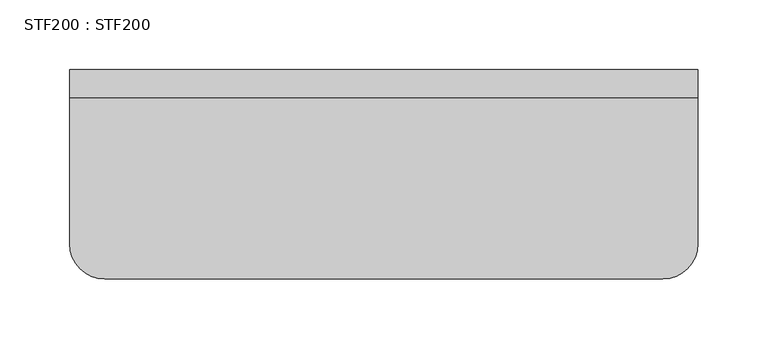
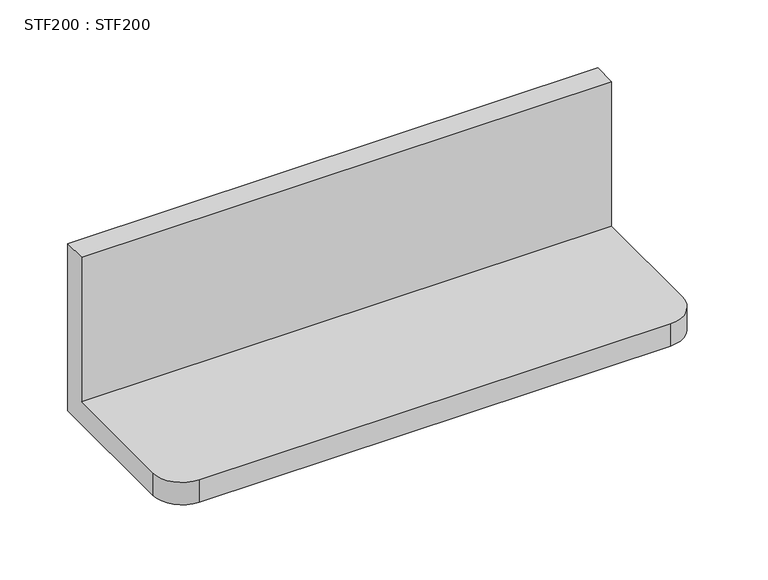
"""IFC4 building model written with IfcOpenShell, lengths in millimetres: proxy geometry, STF200 : STF200."""

from ifc_helpers import new_model, si_unit, frame, origin, place, context, project, spatial, circle_curve, source, transform, mapped, element, save
from ifc_brep_helpers import plane_surface, cylinder_surface, advanced_brep


def stf200_stf200_0c946490(model_context):
    return source(origin(), model_context, "Body", "AdvancedBrep", [
        advanced_brep(
        [(0.0, -125.0000011, 20.0000011), (25.0, -150.0000011, 20.0000011), (425.0, -150.0000011, 20.0000011), (450.0, -125.0000011, 20.0000011), (450.0, -20.0000011, 20.0000011), (0.0, -20.0000011, 20.0000011), (450.0, 0.0, 0.0), (450.0, -125.0000011, 0.0), (425.0, -150.0000011, 0.0), (25.0, -150.0000011, 0.0), (0.0, -125.0000011, 0.0), (0.0, 0.0, 0.0), (0.0, 0.0, 150.0000011), (450.0, 0.0, 150.0000011), (0.0, -20.0000011, 150.0000011), (450.0, -20.0000011, 150.0000011)],
        [
            (0, 1, circle_curve(frame((25.0, -125.0000011, 20.0000011), z_axis=(0.0, 0.0, 1.0), x_axis=(1.0, 0.0, 0.0)), 25.0)),
            (1, 2),
            (2, 3, circle_curve(frame((425.0, -125.0000011, 20.0000011), z_axis=(0.0, 0.0, 1.0), x_axis=(1.0, 0.0, 0.0)), 25.0)),
            (3, 4),
            (4, 5),
            (5, 0),
            (6, 7),
            (7, 8, circle_curve(frame((425.0, -125.0000011, 0.0), z_axis=(0.0, 0.0, -1.0), x_axis=(1.0, 0.0, 0.0)), 25.0)),
            (8, 9),
            (9, 10, circle_curve(frame((25.0, -125.0000011, 0.0), z_axis=(0.0, 0.0, -1.0), x_axis=(1.0, 0.0, 0.0)), 25.0)),
            (10, 11),
            (11, 6),
            (11, 12),
            (12, 13),
            (13, 6),
            (10, 0),
            (5, 14),
            (14, 12),
            (9, 1),
            (8, 2),
            (7, 3),
            (13, 15),
            (15, 4),
            (14, 15),
        ],
        [
            plane_surface(frame((0.0, 0.0, 20.0000011), z_axis=(0.0, 0.0, 1.0), x_axis=(-1.0, 0.0, 0.0))),
            plane_surface(frame((0.0, 0.0, 0.0), z_axis=(0.0, 0.0, -1.0), x_axis=(1.0, 0.0, 0.0))),
            plane_surface(frame((450.0, 0.0, 20.0000011), z_axis=(0.0, 1.0, 0.0), x_axis=(0.0, 0.0, -1.0))),
            plane_surface(frame((0.0, 0.0, 20.0000011), z_axis=(-1.0, 0.0, 0.0), x_axis=(0.0, 0.0, -1.0))),
            cylinder_surface(frame((25.0, -125.0000011, 0.0), z_axis=(0.0, 0.0, 1.0), x_axis=(1.0, 0.0, 0.0)), 25.0),
            plane_surface(frame((25.0, -150.0000011, 20.0000011), z_axis=(0.0, -1.0, 0.0), x_axis=(0.0, 0.0, -1.0))),
            cylinder_surface(frame((425.0, -125.0000011, 0.0), z_axis=(0.0, 0.0, 1.0), x_axis=(1.0, 0.0, 0.0)), 25.0),
            plane_surface(frame((450.0, -125.0000011, 20.0000011), z_axis=(1.0, 0.0, 0.0), x_axis=(0.0, 0.0, -1.0))),
            plane_surface(frame((0.0, 0.0, 150.0000011), z_axis=(0.0, 0.0, 1.0), x_axis=(-1.0, 0.0, 0.0))),
            plane_surface(frame((0.0, -20.0000011, 150.0000011), z_axis=(0.0, -1.0, 0.0), x_axis=(0.0, 0.0, -1.0))),
        ],
        [
            (0, [[1, 2, 3, 4, 5, 6]]),
            (1, [[7, 8, 9, 10, 11, 12]]),
            (2, [[-12, 13, 14, 15]]),
            (3, [[-13, -11, 16, -6, 17, 18]]),
            (4, [[-1, -16, -10, 19]]),
            (5, [[-2, -19, -9, 20]]),
            (6, [[-3, -20, -8, 21]]),
            (7, [[-7, -15, 22, 23, -4, -21]]),
            (8, [[-14, -18, 24, -22]]),
            (9, [[-24, -17, -5, -23]]),
        ],
    ),
    ])


if __name__ == "__main__":
    model = new_model("IFC4")
    model_context = context("Model", 3, world=origin())
    ifc_project = project(units=[si_unit("LENGTHUNIT", "METRE", prefix="MILLI")], contexts=[model_context])
    site = spatial("IfcSite", under=ifc_project)
    building = spatial("IfcBuilding", under=site)
    placement = place(None, origin())
    stf200_stf200_shape = stf200_stf200_0c946490(model_context)
    element("IfcBuildingElementProxy", 1, Name="STF200 : STF200", ObjectType="STF200 : STF200", at=placement, inside=building, context=model_context, shape_type="MappedRepresentation", body=[
        mapped(stf200_stf200_shape, transform((0.0, 0.0, 0.0), x_axis=(1.0, 0.0, 0.0), y_axis=(0.0, 1.0, 0.0), z_axis=(0.0, 0.0, 1.0))),
    ])
    save(model, "model.ifc")
